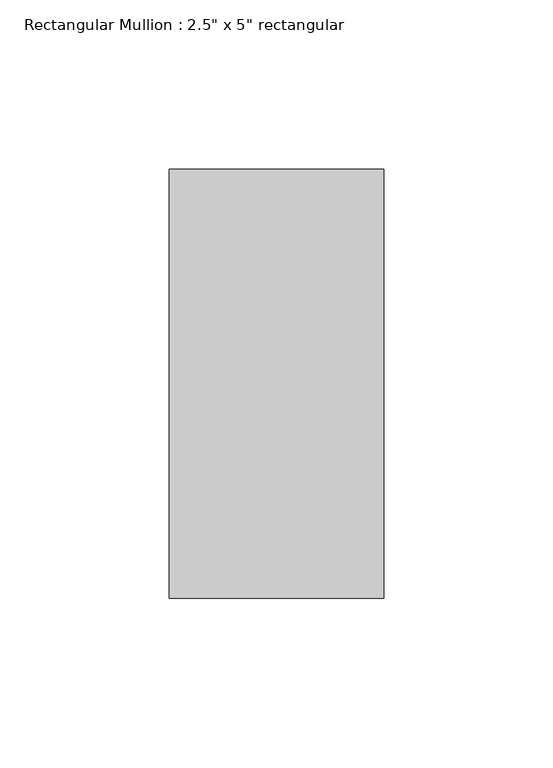
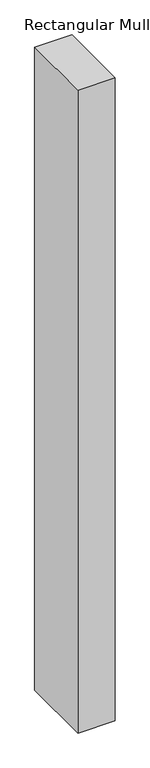
"""IFC4 building model written with IfcOpenShell, lengths in millimetres: member geometry."""

from ifc_helpers import new_model, si_unit, frame, origin, place, context, project, spatial, polyline, outline, extrude, source, transform, mapped, element, save


def member_46bc279c(model_context):
    return source(origin(), model_context, "Body", "SweptSolid", [
        extrude(outline(polyline([(0.0, 63.5), (0.0, -63.5), (-63.5, -63.5), (-63.5, 63.5), (0.0, 63.5)])), frame((0.0, 0.0, -1154.75), z_axis=(0.0, 0.0, 1.0), x_axis=(1.0, 0.0, 0.0)), (0.0, 0.0, 1.0), 1154.75),
    ])


if __name__ == "__main__":
    model = new_model("IFC4")
    model_context = context("Model", 3, world=origin())
    ifc_project = project(units=[si_unit("LENGTHUNIT", "METRE", prefix="MILLI")], contexts=[model_context])
    site = spatial("IfcSite", under=ifc_project)
    building = spatial("IfcBuilding", under=site)
    placement = place(None, origin())
    member_shape = member_46bc279c(model_context)
    element("IfcMember", 1, ObjectType="Rectangular Mullion : 2.5\" x 5\" rectangular", at=placement, inside=building, context=model_context, shape_type="MappedRepresentation", body=[
        mapped(member_shape, transform((0.0, 0.0, 0.0), x_axis=(1.0, 0.0, 0.0), y_axis=(0.0, 1.0, 0.0), z_axis=(0.0, 0.0, 1.0))),
    ])
    save(model, "model.ifc")
